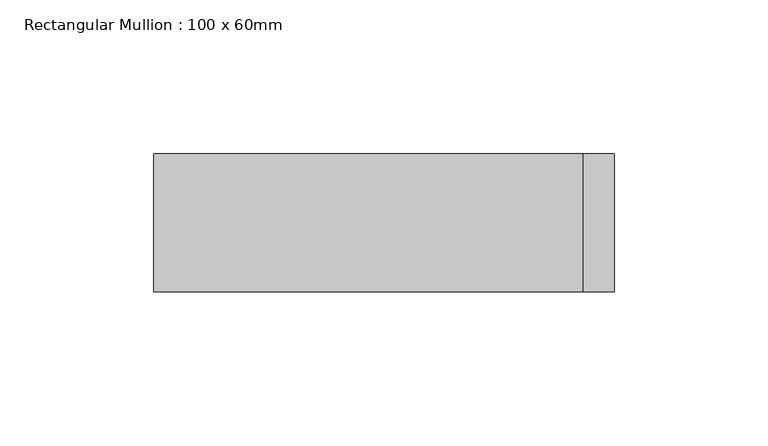
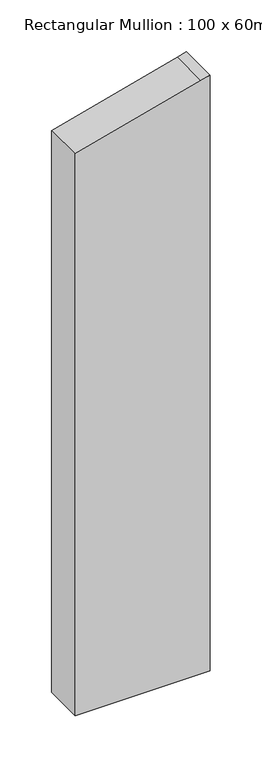
"""IFC4 building model written with IfcOpenShell, lengths in millimetres: member geometry, Rectangular Mullion : 100 x 60mm."""

from ifc_helpers import new_model, si_unit, frame, origin, place, context, project, spatial, polyline, outline, extrude, source, transform, mapped, element, save


def rectangular_mullion_100_x_60mm_5bed7436(model_context):
    return source(origin(), model_context, "Body", "SweptSolid", [
        extrude(outline(polyline([(-238.7228557, 75.0), (-241.4814566, 64.7047613), (-278.9152345, -75.0), (-939.8551429, -75.0), (-939.8551429, 75.0), (-238.7228557, 75.0)])), frame((0.0, -30.0, 0.0), z_axis=(0.0, 1.0, 0.0), x_axis=(0.0, 0.0, 1.0)), (0.0, 0.0, 1.0), 45.0),
    ])


if __name__ == "__main__":
    model = new_model("IFC4")
    model_context = context("Model", 3, world=origin())
    ifc_project = project(units=[si_unit("LENGTHUNIT", "METRE", prefix="MILLI")], contexts=[model_context])
    site = spatial("IfcSite", under=ifc_project)
    building = spatial("IfcBuilding", under=site)
    placement = place(None, origin())
    rectangular_mullion_100_x_60mm_shape = rectangular_mullion_100_x_60mm_5bed7436(model_context)
    element("IfcMember", 1, ObjectType="Rectangular Mullion : 100 x 60mm", at=placement, inside=building, context=model_context, shape_type="MappedRepresentation", body=[
        mapped(rectangular_mullion_100_x_60mm_shape, transform((0.0, 0.0, 0.0), x_axis=(1.0, 0.0, 0.0), y_axis=(0.0, 1.0, 0.0), z_axis=(0.0, 0.0, 1.0))),
    ])
    save(model, "model.ifc")
